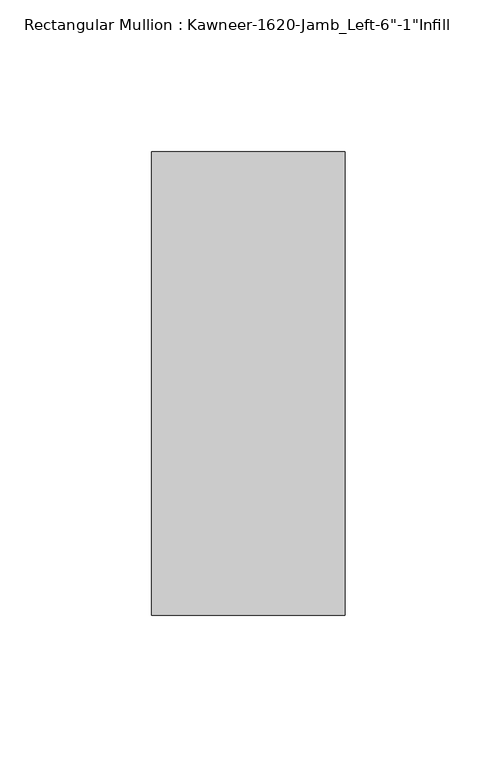
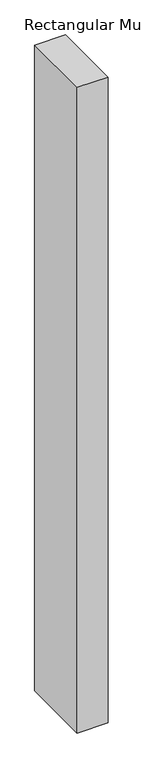
"""IFC4 building model written with IfcOpenShell, lengths in millimetres: member geometry."""

from ifc_helpers import new_model, si_unit, frame, origin, place, context, project, spatial, polyline, outline, extrude, source, transform, mapped, element, save


def member_aeff39ff(model_context):
    return source(origin(), model_context, "Body", "SweptSolid", [
        extrude(outline(polyline([(-63.5, 38.1), (0.0, 38.1), (0.0, -114.3), (-63.5, -114.3), (-63.5, 38.1)])), frame((0.0, 0.0, -1412.875), z_axis=(0.0, 0.0, 1.0), x_axis=(1.0, 0.0, 0.0)), (0.0, 0.0, 1.0), 1412.875),
    ])


if __name__ == "__main__":
    model = new_model("IFC4")
    model_context = context("Model", 3, world=origin())
    ifc_project = project(units=[si_unit("LENGTHUNIT", "METRE", prefix="MILLI")], contexts=[model_context])
    site = spatial("IfcSite", under=ifc_project)
    building = spatial("IfcBuilding", under=site)
    placement = place(None, origin())
    member_shape = member_aeff39ff(model_context)
    element("IfcMember", 1, ObjectType="Rectangular Mullion : Kawneer-1620-Jamb_Left-6\"-1\"Infill", at=placement, inside=building, context=model_context, shape_type="MappedRepresentation", body=[
        mapped(member_shape, transform((0.0, 0.0, 0.0), x_axis=(1.0, 0.0, 0.0), y_axis=(0.0, 1.0, 0.0), z_axis=(0.0, 0.0, 1.0))),
    ])
    save(model, "model.ifc")
